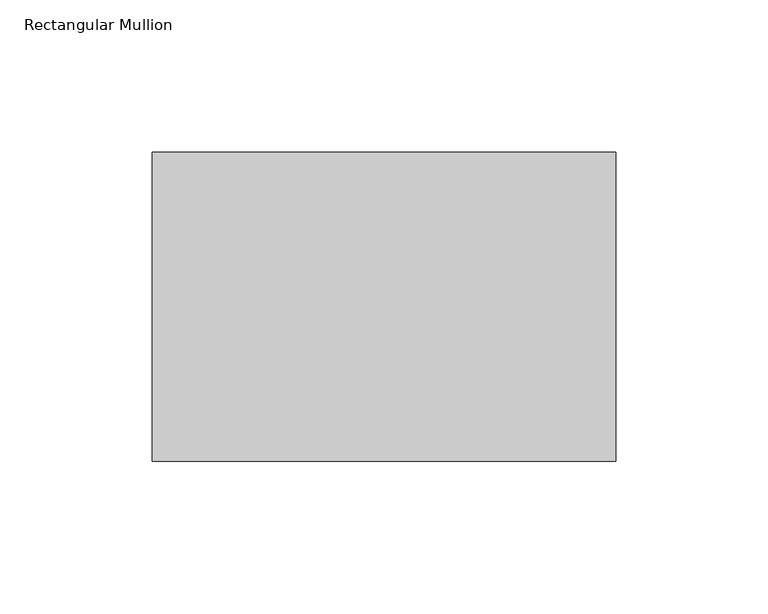
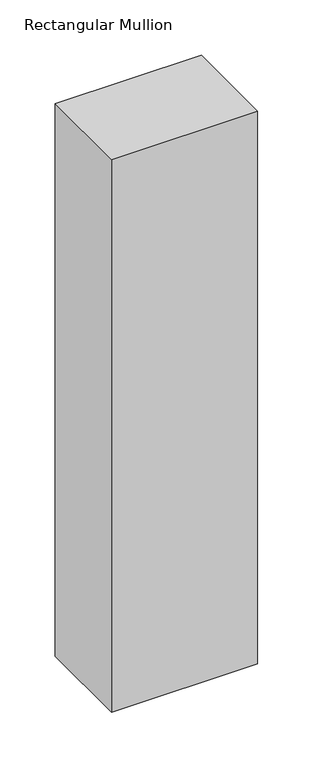
"""IFC4 building model written with IfcOpenShell, lengths in millimetres: member geometry, Rectangular Mullion."""

from ifc_helpers import new_model, si_unit, frame, origin, place, context, project, spatial, polyline, outline, extrude, source, transform, mapped, element, save


def rectangular_mullion_c2046f02(model_context):
    return source(origin(), model_context, "Body", "SweptSolid", [
        extrude(outline(polyline([(0.0, 82.55), (0.0, -19.05), (-152.4, -19.05), (-152.4, 82.55), (0.0, 82.55)])), frame((0.0, 0.0, -609.6), z_axis=(0.0, 0.0, 1.0), x_axis=(1.0, 0.0, 0.0)), (0.0, 0.0, 1.0), 609.6),
    ])


if __name__ == "__main__":
    model = new_model("IFC4")
    model_context = context("Model", 3, world=origin())
    ifc_project = project(units=[si_unit("LENGTHUNIT", "METRE", prefix="MILLI")], contexts=[model_context])
    site = spatial("IfcSite", under=ifc_project)
    building = spatial("IfcBuilding", under=site)
    placement = place(None, origin())
    rectangular_mullion_shape = rectangular_mullion_c2046f02(model_context)
    element("IfcMember", 1, ObjectType="Rectangular Mullion", at=placement, inside=building, context=model_context, shape_type="MappedRepresentation", body=[
        mapped(rectangular_mullion_shape, transform((0.0, 0.0, 0.0), x_axis=(1.0, 0.0, 0.0), y_axis=(0.0, 1.0, 0.0), z_axis=(0.0, 0.0, 1.0))),
    ])
    save(model, "model.ifc")
